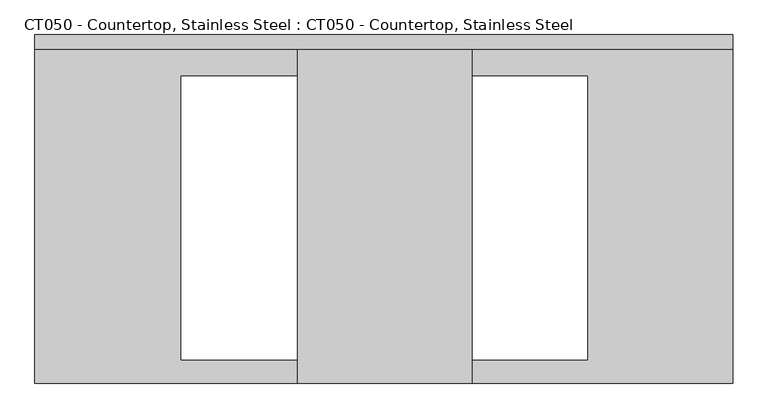
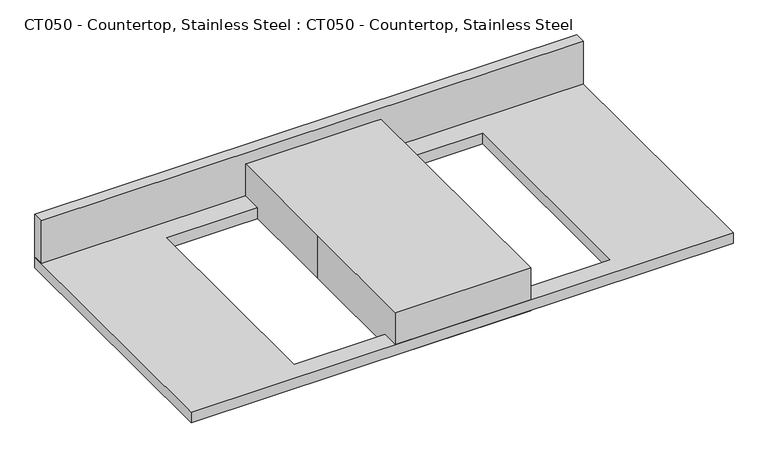
"""IFC4 building model written with IfcOpenShell, lengths in millimetres: proxy geometry, CT050 - Countertop, Stainless Steel : CT050 - Countertop, Stainless Steel."""

from ifc_helpers import new_model, si_unit, frame, origin, origin_with_axes, place, context, project, spatial, polyline, outline, extrude, source, transform, mapped, element, save


def ct050_countertop_stainless_steel_ct050_countertop_stainless_26f389fe(model_context):
    return source(origin(), model_context, "Body", "SweptSolid", [
        extrude(outline(polyline([(608.5735889, 304.8), (608.5735889, -304.8), (-612.2135703, -304.8), (-612.2135703, 304.8), (608.5735889, 304.8)]), holes=[polyline([(354.5735889, 232.56875), (-356.6264112, 232.56875), (-356.6264112, -264.31875), (354.5735889, -264.31875), (354.5735889, 232.56875)])]), origin_with_axes(), (0.0, 0.0, 1.0), 25.4),
        extrude(outline(polyline([(-612.2135703, 279.4), (-612.2135703, 304.8), (608.5735889, 304.8), (608.5735889, 279.4), (-612.2135703, 279.4)])), frame((0.0, 0.0, 25.4), z_axis=(0.0, 0.0, 1.0), x_axis=(1.0, 0.0, 0.0)), (0.0, 0.0, 1.0), 101.6),
        extrude(outline(polyline([(-152.4, 304.8), (152.4, 304.8), (152.4, -304.8), (-152.4, -304.8), (-152.4, 0.0), (-152.4, 304.8)])), origin_with_axes(), (0.0, 0.0, 1.0), 101.6),
    ])


if __name__ == "__main__":
    model = new_model("IFC4")
    model_context = context("Model", 3, world=origin())
    ifc_project = project(units=[si_unit("LENGTHUNIT", "METRE", prefix="MILLI")], contexts=[model_context])
    site = spatial("IfcSite", under=ifc_project)
    building = spatial("IfcBuilding", under=site)
    placement = place(None, origin())
    ct050_countertop_stainless_steel_ct050_countertop_stainless_shape = ct050_countertop_stainless_steel_ct050_countertop_stainless_26f389fe(model_context)
    element("IfcBuildingElementProxy", 1, Name="CT050 - Countertop, Stainless Steel : CT050 - Countertop, Stainless Steel", ObjectType="CT050 - Countertop, Stainless Steel : CT050 - Countertop, Stainless Steel", at=placement, inside=building, context=model_context, shape_type="MappedRepresentation", body=[
        mapped(ct050_countertop_stainless_steel_ct050_countertop_stainless_shape, transform((0.0, 0.0, 0.0), x_axis=(1.0, 0.0, 0.0), y_axis=(0.0, 1.0, 0.0), z_axis=(0.0, 0.0, 1.0))),
    ])
    save(model, "model.ifc")
